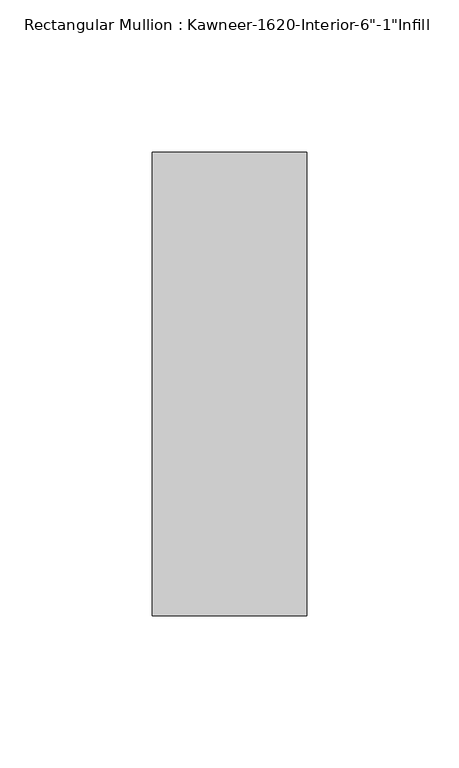
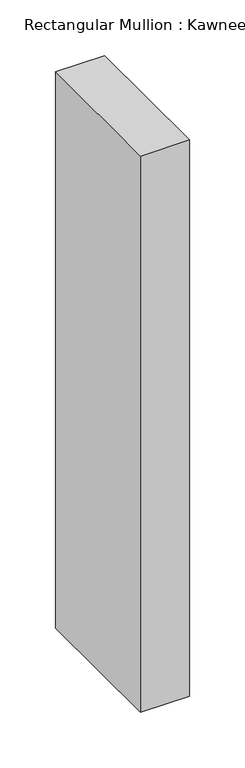
"""IFC4 building model written with IfcOpenShell, lengths in millimetres: member geometry."""

from ifc_helpers import new_model, si_unit, frame, origin, place, context, project, spatial, polyline, outline, extrude, source, transform, mapped, element, save


def member_97474936(model_context):
    return source(origin(), model_context, "Body", "SweptSolid", [
        extrude(outline(polyline([(25.4, -114.3), (-25.4, -114.3), (-25.4, 38.1), (25.4, 38.1), (25.4, -114.3)])), frame((0.0, 0.0, -609.6), z_axis=(0.0, 0.0, 1.0), x_axis=(1.0, 0.0, 0.0)), (0.0, 0.0, 1.0), 609.6),
    ])


if __name__ == "__main__":
    model = new_model("IFC4")
    model_context = context("Model", 3, world=origin())
    ifc_project = project(units=[si_unit("LENGTHUNIT", "METRE", prefix="MILLI")], contexts=[model_context])
    site = spatial("IfcSite", under=ifc_project)
    building = spatial("IfcBuilding", under=site)
    placement = place(None, origin())
    member_shape = member_97474936(model_context)
    element("IfcMember", 1, ObjectType="Rectangular Mullion : Kawneer-1620-Interior-6\"-1\"Infill", at=placement, inside=building, context=model_context, shape_type="MappedRepresentation", body=[
        mapped(member_shape, transform((0.0, 0.0, 0.0), x_axis=(1.0, 0.0, 0.0), y_axis=(0.0, 1.0, 0.0), z_axis=(0.0, 0.0, 1.0))),
    ])
    save(model, "model.ifc")
